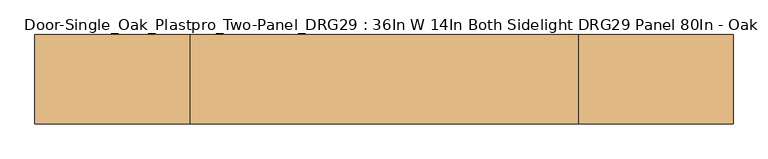
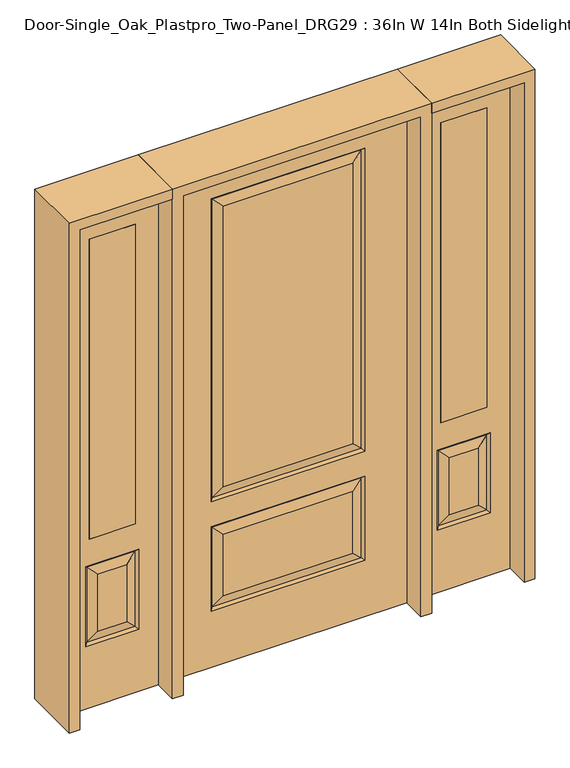
"""IFC4 building model written with IfcOpenShell, lengths in millimetres: door geometry, Door-Single_Oak_Plastpro_Two-Panel_DRG29 : 36In W 14In Both Sidelight DRG29 Panel 80In - Oak."""

import ifcopenshell
import ifcopenshell.guid

model = None  # the IFC model being written
_history = None  # IfcOwnerHistory: only IFC2X3 demands one
_inside = {}  # id of a spatial element -> (the spatial element, [elements in it])
_under = {}  # id of a project, library or spatial element -> (it, [spatial elements below it])
_declared = {}  # id of a project -> (the project, [libraries it declares])
_typed = {}  # id of a type object -> (the type object, [elements of that type])
_made_of = {}  # id of a material, layer set ... -> (it, [elements and type objects made of it])


def new_model(schema):
    """Start an empty IFC model of exactly this schema.

    Asked for "IFC4X3", IfcOpenShell would pick the latest addendum, in which some entities
    have other attributes; the version numbers below select the first issue.
    IFC2X3 requires an IfcOwnerHistory on every rooted entity: one is made here for all.
    """
    global model, _history
    if schema == "IFC4X3":
        model = ifcopenshell.file(schema_version=(4, 3, 0, 0))
    else:
        model = ifcopenshell.file(schema=schema)
    _inside.clear()
    _under.clear()
    _declared.clear()
    _typed.clear()
    _made_of.clear()
    _history = None
    if model.schema == "IFC2X3":
        org = make("IfcOrganization", Name="unknown")
        user = make(
            "IfcPersonAndOrganization",
            ThePerson=make("IfcPerson", FamilyName="unknown"),
            TheOrganization=org,
        )
        app = make(
            "IfcApplication",
            ApplicationDeveloper=org,
            Version="unknown",
            ApplicationFullName="unknown",
            ApplicationIdentifier="unknown",
        )
        _history = make(
            "IfcOwnerHistory",
            OwningUser=user,
            OwningApplication=app,
            ChangeAction="ADDED",
            CreationDate=0,
        )
    return model


def make(cls, **values):
    """One entity of the class cls with the attributes given. An attribute that is None is left unset."""
    return model.create_entity(
        cls, **{name: value for name, value in values.items() if value is not None}
    )


def rooted(cls, **values):
    """An entity with a GlobalId (a new one), such as an element, a storey or a relation."""
    return make(cls, GlobalId=ifcopenshell.guid.new(), OwnerHistory=_history, **values)


def si_unit(unit_type, name, prefix=None):
    """IfcSIUnit, for example si_unit("LENGTHUNIT", "METRE", prefix="MILLI")."""
    return make("IfcSIUnit", UnitType=unit_type, Prefix=prefix, Name=name)


def assignment(units):
    """IfcUnitAssignment: the units of a project."""
    return None if units is None else make("IfcUnitAssignment", Units=units)


def point(xyz):
    """IfcCartesianPoint."""
    return None if xyz is None else make("IfcCartesianPoint", Coordinates=xyz)


def direction(xyz):
    """IfcDirection."""
    return None if xyz is None else make("IfcDirection", DirectionRatios=xyz)


def frame(location, z_axis=None, x_axis=None):
    """IfcAxis2Placement3D, a coordinate frame: its origin and axes. An axis left out is left unset."""
    return make(
        "IfcAxis2Placement3D",
        Location=point(location),
        Axis=direction(z_axis),
        RefDirection=direction(x_axis),
    )


def origin():
    """The frame at (0, 0, 0) with its axes left unset."""
    return frame((0.0, 0.0, 0.0))


def place(relative_to, where):
    """IfcLocalPlacement: puts the frame where relative to a parent placement (None: the world)."""
    return make(
        "IfcLocalPlacement", PlacementRelTo=relative_to, RelativePlacement=where
    )


def context(
    kind, dimensions, precision=None, world=None, true_north=None, identifier=None
):
    """IfcGeometricRepresentationContext, for example the 3D "Model" context."""
    return make(
        "IfcGeometricRepresentationContext",
        ContextIdentifier=identifier,
        ContextType=kind,
        CoordinateSpaceDimension=dimensions,
        Precision=precision,
        WorldCoordinateSystem=world,
        TrueNorth=true_north,
    )


def project(units=None, contexts=None):
    """IfcProject with its units and contexts."""
    return rooted(
        "IfcProject",
        Name="project",
        RepresentationContexts=contexts,
        UnitsInContext=assignment(units),
    )


def spatial(cls, under=None, at=None, **own):
    """A site, building, storey or space (cls), placed at a placement, below another one or the project."""
    s = rooted(cls, ObjectPlacement=at, **own)
    if under is not None:
        _under.setdefault(under.id(), (under, []))[1].append(s)
    return s


def polyline(points):
    """IfcPolyline through the points."""
    return make("IfcPolyline", Points=[point(p) for p in points])


def outline(outer, holes=None, kind="AREA"):
    """IfcArbitraryClosedProfileDef: a profile drawn as a closed curve; with holes, ...WithVoids."""
    if holes is None:
        return make("IfcArbitraryClosedProfileDef", ProfileType=kind, OuterCurve=outer)
    return make(
        "IfcArbitraryProfileDefWithVoids",
        ProfileType=kind,
        OuterCurve=outer,
        InnerCurves=holes,
    )


def extrude(swept, where, along, depth):
    """IfcExtrudedAreaSolid: the profile swept, set in the frame where, extruded along a direction by depth."""
    return make(
        "IfcExtrudedAreaSolid",
        SweptArea=swept,
        Position=where,
        ExtrudedDirection=direction(along),
        Depth=depth,
    )


def faces_of(points, faces, orient=None, outer=None):
    """IfcFace entities. A face is a list of loops; a loop is a list of indices into points, from 0.

    orient and outer hold one flag for each loop. By default every Orientation is true, the
    first loop of a face is its IfcFaceOuterBound and the others are IfcFaceBound.
    """
    made = []
    for i, loops in enumerate(faces):
        bounds = []
        for j, loop in enumerate(loops):
            is_outer = j == 0 if outer is None else outer[i][j]
            bounds.append(
                make(
                    "IfcFaceOuterBound" if is_outer else "IfcFaceBound",
                    Bound=make("IfcPolyLoop", Polygon=[points[k] for k in loop]),
                    Orientation=True if orient is None else orient[i][j],
                )
            )
        made.append(make("IfcFace", Bounds=bounds))
    return made


def faceted_brep(points, faces, orient=None, outer=None, voids=None):
    """IfcFacetedBrep: a solid bounded by flat faces; with voids (closed shells), ...WithVoids."""
    shared = [point(p) for p in points]
    hull = make("IfcClosedShell", CfsFaces=faces_of(shared, faces, orient, outer))
    if voids is None:
        return make("IfcFacetedBrep", Outer=hull)
    return make(
        "IfcFacetedBrepWithVoids",
        Outer=hull,
        Voids=[
            make(cls, CfsFaces=faces_of(shared, fs, o, b)) for cls, fs, o, b in voids
        ],
    )


def shape(context_of_items, identifier, shape_type, items):
    """IfcShapeRepresentation: the items that make up one representation, for example the "Body"."""
    return make(
        "IfcShapeRepresentation",
        ContextOfItems=context_of_items,
        RepresentationIdentifier=identifier,
        RepresentationType=shape_type,
        Items=items,
    )


def source(mapping_origin, context_of_items, identifier, shape_type, items):
    """IfcRepresentationMap: a shape defined once, which mapped items show again and again."""
    return make(
        "IfcRepresentationMap",
        MappingOrigin=mapping_origin,
        MappedRepresentation=shape(context_of_items, identifier, shape_type, items),
    )


def transform(
    local_origin,
    x_axis=None,
    y_axis=None,
    z_axis=None,
    scale=None,
    scale2=None,
    scale3=None,
    uniform=True,
):
    """IfcCartesianTransformationOperator3D, or its non-uniform kind. x_axis, y_axis, z_axis: its Axis1, 2, 3."""
    if uniform:
        return make(
            "IfcCartesianTransformationOperator3D",
            Axis1=direction(x_axis),
            Axis2=direction(y_axis),
            LocalOrigin=point(local_origin),
            Scale=scale,
            Axis3=direction(z_axis),
        )
    return make(
        "IfcCartesianTransformationOperator3DnonUniform",
        Axis1=direction(x_axis),
        Axis2=direction(y_axis),
        LocalOrigin=point(local_origin),
        Scale=scale,
        Axis3=direction(z_axis),
        Scale2=scale2,
        Scale3=scale3,
    )


def mapped(mapping_source, mapping_target):
    """IfcMappedItem: shows the shape of a source again, moved by a transform."""
    return make(
        "IfcMappedItem", MappingSource=mapping_source, MappingTarget=mapping_target
    )


def made_of(thing, what):
    """Note that an element or type object is made of a material, layer set ...; save() writes the relation."""
    if what is not None:
        _made_of.setdefault(what.id(), (what, []))[1].append(thing)
    return thing


def element(
    cls,
    number,
    at=None,
    inside=None,
    cuts=None,
    type_object=None,
    material=None,
    context=None,
    identifier="Body",
    shape_type=None,
    held_by="IfcProductDefinitionShape",
    body=None,
    shapes=None,
    **own,
):
    """One element of the class cls, such as IfcWall. Its Tag is "e" and its number.

    at: its placement. inside: the storey or other place that contains it. cuts: it is an
    opening in that element (IfcRelVoidsElement). A single representation is given by context,
    identifier, shape_type and body (its items); several are given by shapes. held_by: the class
    of the entity that holds the representations. save() writes the other relations.
    """
    e = rooted(cls, Tag="e%d" % number, ObjectPlacement=at, **own)
    if body is not None:
        shapes = [shape(context, identifier, shape_type, body)]
    if shapes is not None:
        e.Representation = make(held_by, Representations=shapes)
    if inside is not None:
        _inside.setdefault(inside.id(), (inside, []))[1].append(e)
    if cuts is not None:
        rooted(
            "IfcRelVoidsElement", RelatingBuildingElement=cuts, RelatedOpeningElement=e
        )
    if type_object is not None:
        _typed.setdefault(type_object.id(), (type_object, []))[1].append(e)
    return made_of(e, material)


def aggregate(whole, parts):
    """IfcRelAggregates: a whole, such as a stair, and the parts it consists of."""
    return rooted("IfcRelAggregates", RelatingObject=whole, RelatedObjects=parts)


def save(model, path):
    """Write the relations noted so far, then the file.

    IfcRelAggregates (storeys below a building ...), IfcRelContainedInSpatialStructure (elements
    in a storey), IfcRelDefinesByType, IfcRelAssociatesMaterial and IfcRelDeclares: one each for
    every whole, place, type object, material and project.
    """
    for whole, parts in _under.values():
        aggregate(whole, parts)
    for where, things in _inside.values():
        rooted(
            "IfcRelContainedInSpatialStructure",
            RelatedElements=things,
            RelatingStructure=where,
        )
    for kind, things in _typed.values():
        rooted("IfcRelDefinesByType", RelatedObjects=things, RelatingType=kind)
    for what, things in _made_of.values():
        rooted("IfcRelAssociatesMaterial", RelatedObjects=things, RelatingMaterial=what)
    for by, libraries in _declared.values():
        rooted("IfcRelDeclares", RelatingContext=by, RelatedDefinitions=libraries)
    model.write(path)


def door_single_oak_plastpro_two_panel_drg29_36in_w_14in_both_0883d25c(model_context):
    return source(origin(), model_context, "Body", "SolidModel", [
        faceted_brep([(-286.1796986, -11.6572439, 562.4046986), (-249.1224548, -20.6375, 525.3474548), (249.1224548, -20.6375, 525.3474548), (286.1796986, -11.6572439, 562.4046986), (249.1224548, -20.6375, 274.7525452), (286.1796986, -11.6572439, 237.6953014), (457.2, 20.6375, 0.0), (457.2, -20.6375, 0.0), (-457.2, -20.6375, 0.0), (-457.2, 20.6375, 0.0), (457.2, 20.6375, 2032.0), (457.2, -20.6375, 2032.0), (-249.1224548, -20.6375, 719.2525452), (249.1224548, -20.6375, 719.2525452), (249.1224548, -20.6375, 1858.8474548), (-249.1224548, -20.6375, 1858.8474548), (-457.2, -20.6375, 2032.0), (295.1599548, -20.6375, 673.2150452), (-295.1599548, -20.6375, 673.2150452), (-295.1599548, -20.6375, 1904.8849548), (295.1599548, -20.6375, 1904.8849548), (295.1599548, -20.6375, 228.7150452), (-295.1599548, -20.6375, 228.7150452), (-295.1599548, -20.6375, 571.3849548), (295.1599548, -20.6375, 571.3849548), (-249.1224548, -20.6375, 274.7525452), (-249.1224548, 20.6375, 274.7525452), (-286.1796986, 11.6572439, 237.6953014), (-286.1796986, 11.6572439, 562.4046986), (-249.1224548, 20.6375, 525.3474548), (-295.1599548, 20.6375, 228.7150452), (-295.1599548, 20.6375, 571.3849548), (286.1796986, 11.6572439, 237.6953014), (249.1224548, 20.6375, 274.7525452), (249.1224548, 20.6375, 525.3474548), (286.1796986, 11.6572439, 562.4046986), (286.1796986, 11.6572439, 682.1953014), (-286.1796986, 11.6572439, 682.1953014), (-249.1224548, 20.6375, 719.2525452), (249.1224548, 20.6375, 719.2525452), (-286.1796986, 11.6572439, 1895.9046986), (-249.1224548, 20.6375, 1858.8474548), (295.1599548, 20.6375, 571.3849548), (-286.1796986, -11.6572439, 237.6953014), (-457.2, 20.6375, 2032.0), (295.1599548, 20.6375, 228.7150452), (-295.1599548, 20.6375, 673.2150452), (295.1599548, 20.6375, 673.2150452), (295.1599548, 20.6375, 1904.8849548), (-295.1599548, 20.6375, 1904.8849548), (249.1224548, 20.6375, 1858.8474548), (286.1796986, 11.6572439, 1895.9046986), (286.1796986, -11.6572439, 682.1953014), (-286.1796986, -11.6572439, 682.1953014), (-286.1796986, -11.6572439, 1895.9046986), (286.1796986, -11.6572439, 1895.9046986)], [[[0, 1, 2, 3]], [[4, 5, 3, 2]], [[6, 7, 8, 9]], [[10, 11, 7, 6]], [[12, 13, 14, 15]], [[11, 16, 8, 7], [17, 18, 19, 20], [21, 22, 23, 24]], [[25, 4, 2, 1]], [[26, 27, 28, 29]], [[27, 30, 31, 28]], [[32, 33, 34, 35]], [[36, 37, 38, 39]], [[38, 37, 40, 41]], [[28, 31, 42, 35]], [[22, 43, 0, 23]], [[23, 0, 3, 24]], [[16, 44, 9, 8]], [[33, 26, 29, 34]], [[44, 10, 6, 9], [30, 45, 42, 31], [46, 47, 48, 49]], [[39, 38, 41, 50]], [[10, 44, 16, 11]], [[47, 36, 51, 48]], [[27, 32, 45, 30]], [[36, 39, 50, 51]], [[45, 32, 35, 42]], [[37, 36, 47, 46]], [[37, 46, 49, 40]], [[32, 27, 26, 33]], [[29, 28, 35, 34]], [[52, 53, 18, 17]], [[18, 53, 54, 19]], [[52, 17, 20, 55]], [[53, 52, 13, 12]], [[13, 52, 55, 14]], [[53, 12, 15, 54]], [[5, 43, 22, 21]], [[5, 21, 24, 3]], [[43, 5, 4, 25]], [[43, 25, 1, 0]], [[19, 54, 55, 20]], [[54, 15, 14, 55]], [[41, 40, 51, 50]], [[40, 49, 48, 51]]]),
        extrude(outline(polyline([(765.175, -20.6375), (587.375, -20.6375), (587.375, 20.6375), (765.175, 20.6375), (765.175, -20.6375)])), frame((0.0, 0.0, 685.8), z_axis=(0.0, 0.0, 1.0), x_axis=(1.0, 0.0, 0.0)), (0.0, 0.0, 1.0), 1219.2),
        faceted_brep([(765.175, -20.6375, 1905.0), (587.375, -20.6375, 1905.0), (587.375, 20.6375, 1905.0), (765.175, 20.6375, 1905.0), (731.7224548, -20.6375, 531.6974548), (620.8275452, -20.6375, 531.6974548), (620.8275452, -20.6375, 300.1525452), (731.7224548, -20.6375, 300.1525452), (498.475, -20.6375, 2032.0), (498.475, -20.6375, 0.0), (854.075, -20.6375, 0.0), (854.075, -20.6375, 2032.0), (765.175, -20.6375, 685.8), (587.375, -20.6375, 685.8), (777.7599548, -20.6375, 254.1150452), (574.7900452, -20.6375, 254.1150452), (574.7900452, -20.6375, 577.7349548), (777.7599548, -20.6375, 577.7349548), (768.7796986, 11.6572439, 568.7546986), (777.7599548, 20.6375, 577.7349548), (777.7599548, 20.6375, 254.1150452), (768.7796986, 11.6572439, 263.0953014), (583.7703014, 11.6572439, 568.7546986), (574.7900452, 20.6375, 577.7349548), (731.7224548, 20.6375, 300.1525452), (731.7224548, 20.6375, 531.6974548), (765.175, 20.6375, 685.8), (587.375, 20.6375, 685.8), (583.7703014, -11.6572439, 263.0953014), (768.7796986, -11.6572439, 263.0953014), (583.7703014, -11.6572439, 568.7546986), (768.7796986, -11.6572439, 568.7546986), (498.475, 20.6375, 2032.0), (854.075, 20.6375, 2032.0), (498.475, 20.6375, 0.0), (854.075, 20.6375, 0.0), (574.7900452, 20.6375, 254.1150452), (620.8275452, 20.6375, 300.1525452), (620.8275452, 20.6375, 531.6974548), (583.7703014, 11.6572439, 263.0953014)], [[[0, 1, 2, 3]], [[4, 5, 6, 7]], [[8, 9, 10, 11], [0, 12, 13, 1], [14, 15, 16, 17]], [[18, 19, 20, 21]], [[18, 22, 23, 19]], [[21, 24, 25, 18]], [[26, 27, 13, 12]], [[7, 6, 28, 29]], [[6, 5, 30, 28]], [[29, 14, 17, 31]], [[32, 8, 11, 33]], [[34, 35, 10, 9]], [[32, 34, 9, 8]], [[11, 10, 35, 33]], [[33, 35, 34, 32], [19, 23, 36, 20], [2, 27, 26, 3]], [[24, 37, 38, 25]], [[20, 36, 39, 21]], [[36, 23, 22, 39]], [[25, 38, 22, 18]], [[39, 22, 38, 37]], [[21, 39, 37, 24]], [[3, 26, 12, 0]], [[1, 13, 27, 2]], [[31, 4, 7, 29]], [[31, 30, 5, 4]], [[17, 16, 30, 31]], [[28, 30, 16, 15]], [[29, 28, 15, 14]]]),
        extrude(outline(polyline([(-765.175, -20.6375), (-765.175, 20.6375), (-587.375, 20.6375), (-587.375, -20.6375), (-765.175, -20.6375)])), frame((0.0, 0.0, 685.8), z_axis=(0.0, 0.0, 1.0), x_axis=(1.0, 0.0, 0.0)), (0.0, 0.0, 1.0), 1219.2),
        faceted_brep([(-765.175, -20.6375, 1905.0), (-765.175, 20.6375, 1905.0), (-587.375, 20.6375, 1905.0), (-587.375, -20.6375, 1905.0), (-731.7224548, -20.6375, 531.6974548), (-731.7224548, -20.6375, 300.1525452), (-620.8275452, -20.6375, 300.1525452), (-620.8275452, -20.6375, 531.6974548), (-498.475, -20.6375, 2032.0), (-854.075, -20.6375, 2032.0), (-854.075, -20.6375, 0.0), (-498.475, -20.6375, 0.0), (-777.7599548, -20.6375, 254.1150452), (-777.7599548, -20.6375, 577.7349548), (-574.7900452, -20.6375, 577.7349548), (-574.7900452, -20.6375, 254.1150452), (-587.375, -20.6375, 685.8), (-765.175, -20.6375, 685.8), (-768.7796986, 11.6572439, 568.7546986), (-768.7796986, 11.6572439, 263.0953014), (-777.7599548, 20.6375, 254.1150452), (-777.7599548, 20.6375, 577.7349548), (-574.7900452, 20.6375, 577.7349548), (-583.7703014, 11.6572439, 568.7546986), (-731.7224548, 20.6375, 531.6974548), (-731.7224548, 20.6375, 300.1525452), (-765.175, 20.6375, 685.8), (-587.375, 20.6375, 685.8), (-768.7796986, -11.6572439, 263.0953014), (-583.7703014, -11.6572439, 263.0953014), (-583.7703014, -11.6572439, 568.7546986), (-768.7796986, -11.6572439, 568.7546986), (-498.475, 20.6375, 2032.0), (-854.075, 20.6375, 2032.0), (-498.475, 20.6375, 0.0), (-854.075, 20.6375, 0.0), (-574.7900452, 20.6375, 254.1150452), (-620.8275452, 20.6375, 531.6974548), (-620.8275452, 20.6375, 300.1525452), (-583.7703014, 11.6572439, 263.0953014)], [[[0, 1, 2, 3]], [[4, 5, 6, 7]], [[8, 9, 10, 11], [12, 13, 14, 15], [0, 3, 16, 17]], [[18, 19, 20, 21]], [[18, 21, 22, 23]], [[19, 18, 24, 25]], [[26, 17, 16, 27]], [[5, 28, 29, 6]], [[6, 29, 30, 7]], [[28, 31, 13, 12]], [[32, 33, 9, 8]], [[34, 11, 10, 35]], [[32, 8, 11, 34]], [[9, 33, 35, 10]], [[33, 32, 34, 35], [21, 20, 36, 22], [2, 1, 26, 27]], [[25, 24, 37, 38]], [[20, 19, 39, 36]], [[36, 39, 23, 22]], [[24, 18, 23, 37]], [[39, 38, 37, 23]], [[19, 25, 38, 39]], [[1, 0, 17, 26]], [[3, 2, 27, 16]], [[31, 28, 5, 4]], [[31, 4, 7, 30]], [[13, 31, 30, 14]], [[29, 15, 14, 30]], [[28, 12, 15, 29]]]),
        extrude(outline(polyline([(2032.0, -498.475), (2073.275, -498.475), (2073.275, -895.35), (0.0, -895.35), (0.0, -854.075), (2032.0, -854.075), (2032.0, -498.475)])), frame((0.0, -114.3, 0.0), z_axis=(0.0, 1.0, 0.0), x_axis=(0.0, 0.0, 1.0)), (0.0, 0.0, 1.0), 228.6),
        extrude(outline(polyline([(2073.275, -498.475), (0.0, -498.475), (0.0, -457.2), (2032.0, -457.2), (2032.0, 457.2), (0.0, 457.2), (0.0, 498.475), (2073.275, 498.475), (2073.275, -498.475)])), frame((0.0, -114.3, 0.0), z_axis=(0.0, 1.0, 0.0), x_axis=(0.0, 0.0, 1.0)), (0.0, 0.0, 1.0), 228.6),
        extrude(outline(polyline([(0.0, 854.075), (0.0, 895.35), (2073.275, 895.35), (2073.275, 498.475), (2032.0, 498.475), (2032.0, 854.075), (0.0, 854.075)])), frame((0.0, -114.3, 0.0), z_axis=(0.0, 1.0, 0.0), x_axis=(0.0, 0.0, 1.0)), (0.0, 0.0, 1.0), 228.6),
    ])


if __name__ == "__main__":
    model = new_model("IFC4")
    model_context = context("Model", 3, world=origin())
    ifc_project = project(units=[si_unit("LENGTHUNIT", "METRE", prefix="MILLI")], contexts=[model_context])
    site = spatial("IfcSite", under=ifc_project)
    building = spatial("IfcBuilding", under=site)
    placement = place(None, origin())
    door_single_oak_plastpro_two_panel_drg29_36in_w_14in_both_shape = door_single_oak_plastpro_two_panel_drg29_36in_w_14in_both_0883d25c(model_context)
    element("IfcDoor", 1, ObjectType="Door-Single_Oak_Plastpro_Two-Panel_DRG29 : 36In W 14In Both Sidelight DRG29 Panel 80In - Oak", at=placement, inside=building, context=model_context, shape_type="MappedRepresentation", body=[
        mapped(door_single_oak_plastpro_two_panel_drg29_36in_w_14in_both_shape, transform((0.0, 0.0, 0.0), x_axis=(1.0, 0.0, 0.0), y_axis=(0.0, 1.0, 0.0), z_axis=(0.0, 0.0, 1.0))),
    ])
    save(model, "model.ifc")
